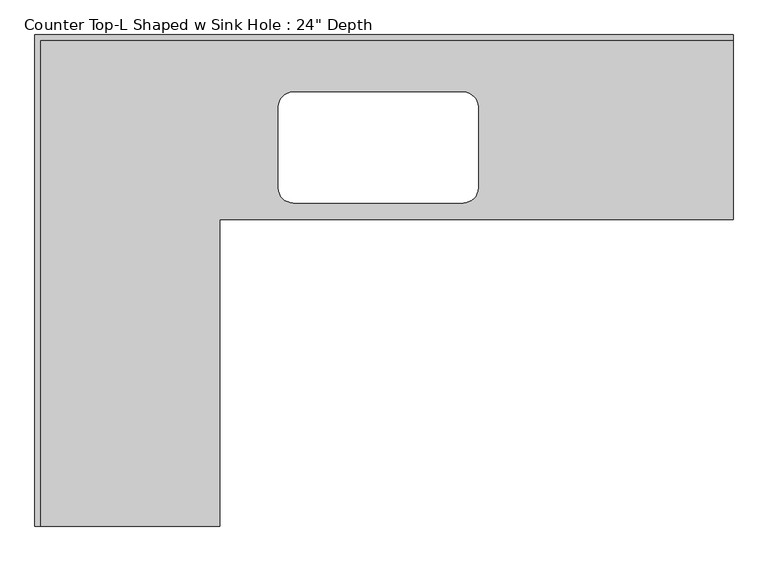
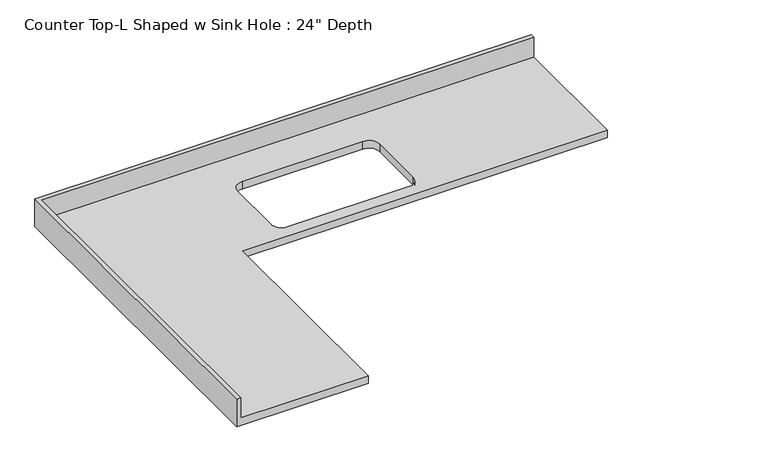
"""IFC4 building model written with IfcOpenShell, lengths in millimetres: furniture geometry."""

from ifc_helpers import new_model, si_unit, frame, origin, place, context, project, spatial, polyline, circle_curve, source, transform, mapped, element, save
from ifc_brep_helpers import plane_surface, revolved_surface, advanced_brep


def furniture_d9e605bf(model_context):
    return source(origin(), model_context, "Body", "AdvancedBrep", [
        advanced_brep(
        [(-565.4622951, -1689.1, 914.4), (-565.4622951, -635.0, 914.4), (1198.2502049, -635.0, 914.4), (1198.2502049, -19.05, 914.4), (-1181.4122951, -19.05, 914.4), (-1181.4122951, -1689.1, 914.4), (271.1502049, -196.85, 914.4), (321.9502049, -247.65, 914.4), (321.9502049, -527.05, 914.4), (271.1502049, -577.85, 914.4), (-313.0497951, -577.85, 914.4), (-363.8497951, -527.05, 914.4), (-363.8497951, -247.65, 914.4), (-313.0497951, -196.85, 914.4), (1198.2502049, 0.0, 876.3), (1198.2502049, -635.0, 876.3), (-565.4622951, -635.0, 876.3), (-565.4622951, -1689.1, 876.3), (-1200.4622951, -1689.1, 876.3), (-1200.4622951, 0.0, 876.3), (271.1502049, -196.85, 876.3), (-313.0497951, -196.85, 876.3), (-363.8497951, -247.65, 876.3), (-363.8497951, -527.05, 876.3), (-313.0497951, -577.85, 876.3), (271.1502049, -577.85, 876.3), (321.9502049, -527.05, 876.3), (321.9502049, -247.65, 876.3), (-1200.4622951, 0.0, 1016.0), (1198.2502049, 0.0, 1016.0), (-1200.4622951, -1689.1, 1016.0), (-1181.4122951, -1689.1, 1016.0), (1198.2502049, -19.05, 1016.0), (-1181.4122951, -19.05, 1016.0)],
        [
            (0, 1),
            (1, 2),
            (2, 3),
            (3, 4),
            (4, 5),
            (5, 0),
            (6, 7, circle_curve(frame((271.1502049, -247.65, 914.4), z_axis=(0.0, 0.0, -1.0), x_axis=(1.0, 0.0, 0.0)), 50.8)),
            (7, 8),
            (8, 9, circle_curve(frame((271.1502049, -527.05, 914.4), z_axis=(0.0, 0.0, -1.0), x_axis=(1.0, 0.0, 0.0)), 50.8)),
            (9, 10),
            (10, 11, circle_curve(frame((-313.0497951, -527.05, 914.4), z_axis=(0.0, 0.0, -1.0), x_axis=(1.0, 0.0, 0.0)), 50.8)),
            (11, 12),
            (12, 13, circle_curve(frame((-313.0497951, -247.65, 914.4), z_axis=(0.0, 0.0, -1.0), x_axis=(1.0, 0.0, 0.0)), 50.8)),
            (13, 6),
            (14, 15),
            (15, 16),
            (16, 17),
            (17, 18),
            (18, 19),
            (19, 14),
            (20, 21),
            (21, 22, circle_curve(frame((-313.0497951, -247.65, 876.3), z_axis=(0.0, 0.0, 1.0), x_axis=(1.0, 0.0, 0.0)), 50.8)),
            (22, 23),
            (23, 24, circle_curve(frame((-313.0497951, -527.05, 876.3), z_axis=(0.0, 0.0, 1.0), x_axis=(1.0, 0.0, 0.0)), 50.8)),
            (24, 25),
            (25, 26, circle_curve(frame((271.1502049, -527.05, 876.3), z_axis=(0.0, 0.0, 1.0), x_axis=(1.0, 0.0, 0.0)), 50.8)),
            (26, 27),
            (27, 20, circle_curve(frame((271.1502049, -247.65, 876.3), z_axis=(0.0, 0.0, 1.0), x_axis=(1.0, 0.0, 0.0)), 50.8)),
            (19, 28),
            (28, 29),
            (29, 14),
            (18, 30),
            (30, 28),
            (17, 0),
            (5, 31),
            (31, 30),
            (16, 1),
            (15, 2),
            (29, 32),
            (32, 3),
            (6, 20),
            (27, 7),
            (26, 8),
            (25, 9),
            (24, 10),
            (23, 11),
            (22, 12),
            (21, 13),
            (31, 33),
            (33, 32),
            (33, 4),
        ],
        [
            plane_surface(frame((-1200.4622951, 0.0, 914.4), z_axis=(0.0, 0.0, 1.0), x_axis=(-1.0, 0.0, 0.0))),
            plane_surface(frame((-1200.4622951, 0.0, 876.3), z_axis=(0.0, 0.0, -1.0), x_axis=(1.0, 0.0, 0.0))),
            plane_surface(frame((1198.2502049, 0.0, 914.4), z_axis=(0.0, 1.0, 0.0), x_axis=(0.0, 0.0, -1.0))),
            plane_surface(frame((-1200.4622951, 0.0, 914.4), z_axis=(-1.0, 0.0, 0.0), x_axis=(0.0, 0.0, -1.0))),
            plane_surface(frame((-1200.4622951, -1689.1, 914.4), z_axis=(0.0, -1.0, 0.0), x_axis=(0.0, 0.0, -1.0))),
            plane_surface(frame((-565.4622951, -1689.1, 914.4), z_axis=(1.0, 0.0, 0.0), x_axis=(0.0, 0.0, -1.0))),
            plane_surface(frame((-565.4622951, -635.0, 914.4), z_axis=(0.0, -1.0, 0.0), x_axis=(0.0, 0.0, -1.0))),
            plane_surface(frame((1198.2502049, -635.0, 914.4), z_axis=(1.0, 0.0, 0.0), x_axis=(0.0, 0.0, -1.0))),
            revolved_surface(polyline([(321.9502049, -247.65, 876.3), (321.9502049, -247.65, 914.4)]), (271.1502049, -247.65, 0.0), (0.0, 0.0, -1.0)),
            plane_surface(frame((321.9502049, -247.65, 914.4), z_axis=(-1.0, 0.0, 0.0), x_axis=(0.0, 0.0, -1.0))),
            revolved_surface(polyline([(321.9502049, -527.05, 876.3), (321.9502049, -527.05, 914.4)]), (271.1502049, -527.05, 0.0), (0.0, 0.0, -1.0)),
            plane_surface(frame((271.1502049, -577.85, 914.4), z_axis=(0.0, 1.0, 0.0), x_axis=(0.0, 0.0, -1.0))),
            revolved_surface(polyline([(-262.2497951, -527.05, 876.3), (-262.2497951, -527.05, 914.4)]), (-313.0497951, -527.05, 0.0), (0.0, 0.0, -1.0)),
            plane_surface(frame((-363.8497951, -527.05, 914.4), z_axis=(1.0, 0.0, 0.0), x_axis=(0.0, 0.0, -1.0))),
            revolved_surface(polyline([(-262.2497951, -247.65, 876.3), (-262.2497951, -247.65, 914.4)]), (-313.0497951, -247.65, 0.0), (0.0, 0.0, -1.0)),
            plane_surface(frame((-313.0497951, -196.85, 914.4), z_axis=(0.0, -1.0, 0.0), x_axis=(0.0, 0.0, -1.0))),
            plane_surface(frame((-1200.4622951, 0.0, 1016.0), z_axis=(0.0, 0.0, 1.0), x_axis=(0.0, -1.0, 0.0))),
            plane_surface(frame((-1200.4622951, -19.05, 1016.0), z_axis=(0.0, -1.0, 0.0), x_axis=(0.0, 0.0, -1.0))),
            plane_surface(frame((-1181.4122951, -1689.1, 1016.0), z_axis=(1.0, 0.0, 0.0), x_axis=(0.0, 0.0, -1.0))),
        ],
        [
            (0, [[1, 2, 3, 4, 5, 6], [7, 8, 9, 10, 11, 12, 13, 14]]),
            (1, [[15, 16, 17, 18, 19, 20], [21, 22, 23, 24, 25, 26, 27, 28]]),
            (2, [[-20, 29, 30, 31]]),
            (3, [[-19, 32, 33, -29]]),
            (4, [[-32, -18, 34, -6, 35, 36]]),
            (5, [[-1, -34, -17, 37]]),
            (6, [[-2, -37, -16, 38]]),
            (7, [[-15, -31, 39, 40, -3, -38]]),
            (8, [[-7, 41, -28, 42]]),
            (9, [[-8, -42, -27, 43]]),
            (10, [[-9, -43, -26, 44]]),
            (11, [[-10, -44, -25, 45]]),
            (12, [[-11, -45, -24, 46]]),
            (13, [[-12, -46, -23, 47]]),
            (14, [[-13, -47, -22, 48]]),
            (15, [[-14, -48, -21, -41]]),
            (16, [[-33, -36, 49, 50, -39, -30]]),
            (17, [[-40, -50, 51, -4]]),
            (18, [[-49, -35, -5, -51]]),
        ],
    ),
    ])


if __name__ == "__main__":
    model = new_model("IFC4")
    model_context = context("Model", 3, world=origin())
    ifc_project = project(units=[si_unit("LENGTHUNIT", "METRE", prefix="MILLI")], contexts=[model_context])
    site = spatial("IfcSite", under=ifc_project)
    building = spatial("IfcBuilding", under=site)
    placement = place(None, origin())
    furniture_shape = furniture_d9e605bf(model_context)
    element("IfcFurniture", 1, ObjectType="Counter Top-L Shaped w Sink Hole : 24\" Depth", at=placement, inside=building, context=model_context, shape_type="MappedRepresentation", body=[
        mapped(furniture_shape, transform((0.0, 0.0, 0.0), x_axis=(1.0, 0.0, 0.0), y_axis=(0.0, 1.0, 0.0), z_axis=(0.0, 0.0, 1.0))),
    ])
    save(model, "model.ifc")
